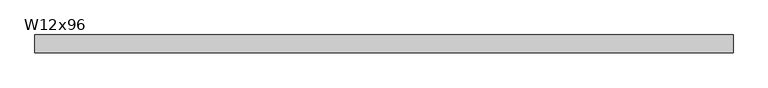
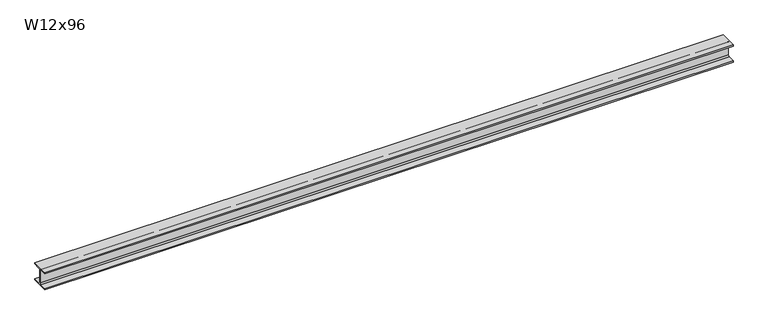
"""IFC4 building model written with IfcOpenShell, lengths in millimetres: beam geometry, W12x96."""

from ifc_helpers import new_model, si_unit, point, frame, frame_2d, origin, place, context, project, spatial, polyline, circle_curve, trimmed, segment, composite_curve, outline, extrude, source, transform, mapped, element, save


def w12x96_7a8fc296(model_context):
    return source(origin(), model_context, "Body", "SweptSolid", [
        extrude(outline(composite_curve([segment(polyline([(154.94, -138.43), (154.94, -161.29), (-154.94, -161.29), (-154.94, -138.43), (-30.1625, -138.43)]), True, "CONTINUOUS"), segment(trimmed(circle_curve(frame_2d((-30.1625, -115.2525)), 23.1775), [point((-30.1625, -138.43))], [point((-6.985, -115.2525))], True, "CARTESIAN"), True, "CONTINUOUS"), segment(polyline([(-6.985, -115.2525), (-6.985, 115.2525)]), True, "CONTINUOUS"), segment(trimmed(circle_curve(frame_2d((-30.1625, 115.2525)), 23.1775), [point((-6.985, 115.2525))], [point((-30.1625, 138.43))], True, "CARTESIAN"), True, "CONTINUOUS"), segment(polyline([(-30.1625, 138.43), (-154.94, 138.43), (-154.94, 161.29), (154.94, 161.29), (154.94, 138.43), (30.1625, 138.43)]), True, "CONTINUOUS"), segment(trimmed(circle_curve(frame_2d((30.1625, 115.2525)), 23.1775), [point((30.1625, 138.43))], [point((6.985, 115.2525))], True, "CARTESIAN"), True, "CONTINUOUS"), segment(polyline([(6.985, 115.2525), (6.985, -115.2525)]), True, "CONTINUOUS"), segment(trimmed(circle_curve(frame_2d((30.1625, -115.2525)), 23.1775), [point((6.985, -115.2525))], [point((30.1625, -138.43))], True, "CARTESIAN"), True, "CONTINUOUS"), segment(polyline([(30.1625, -138.43), (154.94, -138.43)]), True, "CONTINUOUS")], self_intersect=False)), frame((-6118.6155779, 0.0, 0.0), z_axis=(1.0, 0.0, 0.0), x_axis=(0.0, 1.0, 0.0)), (0.0, 0.0, 1.0), 12237.2311558),
    ])


if __name__ == "__main__":
    model = new_model("IFC4")
    model_context = context("Model", 3, world=origin())
    ifc_project = project(units=[si_unit("LENGTHUNIT", "METRE", prefix="MILLI")], contexts=[model_context])
    site = spatial("IfcSite", under=ifc_project)
    building = spatial("IfcBuilding", under=site)
    placement = place(None, origin())
    w12x96_shape = w12x96_7a8fc296(model_context)
    element("IfcBeam", 1, ObjectType="W12x96", at=placement, inside=building, context=model_context, shape_type="MappedRepresentation", body=[
        mapped(w12x96_shape, transform((0.0, 0.0, 0.0), x_axis=(1.0, 0.0, 0.0), y_axis=(0.0, 1.0, 0.0), z_axis=(0.0, 0.0, 1.0))),
    ])
    save(model, "model.ifc")
